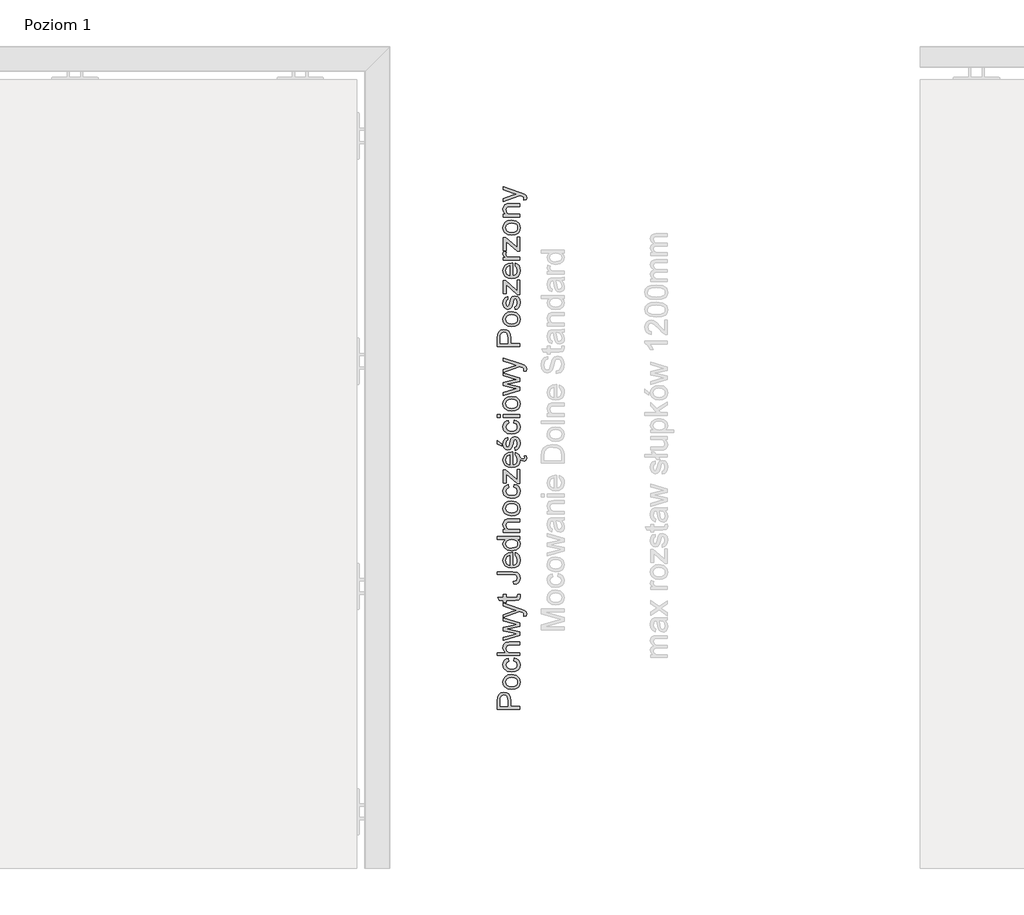
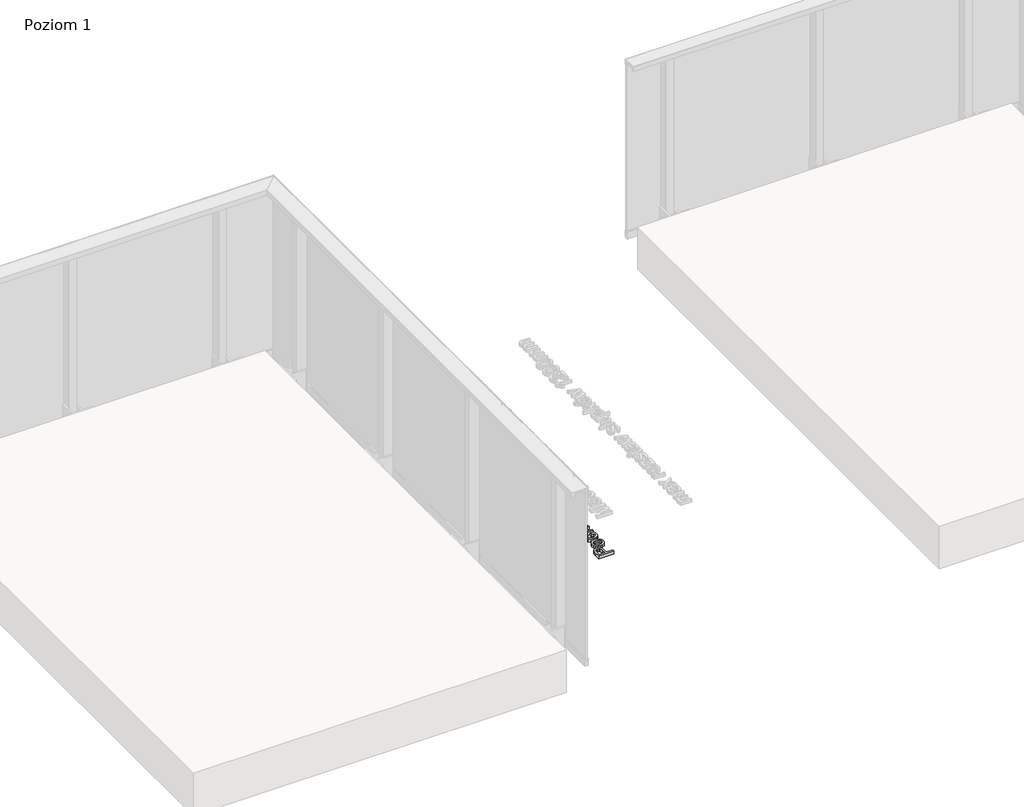
# One storey, part 29 of 35: 1 proxy.
"""IFC4 building model written with IfcOpenShell, lengths in millimetres."""

from ifc_helpers import new_model, si_unit, origin, origin_with_axes, place, context, project, spatial, polyline, outline, extrude, element, save

model = new_model("IFC4")

# Units and contexts
model_context = context("Model", 3, world=origin())
ifc_project = project(units=[si_unit("LENGTHUNIT", "METRE", prefix="MILLI")], contexts=[model_context])

# Site, building, storey
site = spatial("IfcSite", under=ifc_project)
building = spatial("IfcBuilding", under=site)
storey = spatial("IfcBuildingStorey", under=building, Name="Poziom 1", Elevation=0.0)

# Proxy
placement = place(None, origin())
element("IfcBuildingElementProxy", 1, Name="Generic Models", at=placement, inside=storey, context=model_context, shape_type="SweptSolid", body=[
    extrude(outline(polyline([(5115.5993765, 1075.7346132), (5015.1430664, 1075.7346132), (5015.1430664, 1112.9642711), (5016.0995596, 1127.9738565), (5020.7961864, 1140.1752761), (5030.508271, 1148.0847389), (5044.205744, 1151.0768458), (5056.0454129, 1149.0565606), (5065.9107817, 1142.9957047), (5072.5694458, 1131.6618735), (5074.7890005, 1113.8226625), (5074.7890005, 1088.291652), (5115.5993765, 1088.291652), (5115.5993765, 1075.7346132)]), holes=[polyline([(5062.2319618, 1088.291652), (5062.2319618, 1114.5584265), (5057.6211741, 1133.0506281), (5052.0722873, 1137.1525123), (5044.6472024, 1138.5198071), (5034.2484047, 1135.2947082), (5028.5584965, 1126.8211596), (5027.7001052, 1114.2641209), (5027.7001052, 1088.291652), (5062.2319618, 1088.291652)])]), origin_with_axes(), (0.0, 0.0, 1.0), 20.0),
    extrude(outline(polyline([(5078.7130752, 1163.6338846), (5060.9259807, 1166.35008), (5048.4241242, 1174.4986662), (5042.298889, 1184.5663701), (5040.2571439, 1196.6206368), (5042.7434131, 1209.8122721), (5050.2022205, 1220.3490255), (5062.0449551, 1227.25601), (5077.6830056, 1229.5583381), (5100.0257054, 1225.4871107), (5112.6685833, 1213.6290478), (5117.1690064, 1196.6206368), (5114.6919343, 1183.2695861), (5107.260718, 1172.7450954), (5095.1696631, 1165.9116873), (5078.7130752, 1163.6338846)]), holes=[polyline([(5078.6885497, 1176.1909234), (5090.0530377, 1177.6440573), (5098.1495072, 1182.0034589), (5102.9963525, 1188.5640211), (5104.6119676, 1196.6206368), (5102.9871555, 1204.6404643), (5098.112719, 1211.1887639), (5089.9089505, 1215.5481655), (5078.2961422, 1217.0012994), (5067.2627481, 1215.5389684), (5059.2766431, 1211.1519757), (5054.4297978, 1204.5944791), (5052.8141827, 1196.6206368), (5054.4236664, 1188.5640211), (5059.2521176, 1182.0034589), (5067.3301931, 1177.6440573), (5078.6885497, 1176.1909234)])]), origin_with_axes(), (0.0, 0.0, 1.0), 20.0),
    extrude(outline(polyline([(5088.9156692, 1290.7739021), (5090.485299, 1303.3309409), (5101.6535832, 1299.8299306), (5110.0934093, 1293.2509742), (5115.4001071, 1284.2133399), (5117.1690064, 1273.3362956), (5114.7011313, 1259.9791135), (5107.2975062, 1249.5343305), (5095.2830934, 1242.7928929), (5078.9828553, 1240.5457471), (5058.1239462, 1244.3839826), (5044.7207788, 1256.08263), (5040.2571439, 1273.1646173), (5041.7899856, 1283.7749472), (5046.3885105, 1292.2576929), (5053.8074641, 1298.3430742), (5063.8015916, 1301.7613111), (5065.3712215, 1289.2042723), (5055.9657051, 1283.379474), (5052.8141827, 1273.2627192), (5054.3654184, 1265.1478555), (5059.0191257, 1258.7068549), (5067.0266904, 1254.5038031), (5078.6394988, 1253.1027858), (5090.4086569, 1254.4731463), (5098.4438128, 1258.5842276), (5103.0699289, 1264.9087322), (5104.6119676, 1272.9193626), (5100.7614694, 1284.7529002), (5088.9156692, 1290.7739021)])), origin_with_axes(), (0.0, 0.0, 1.0), 20.0),
    extrude(outline(polyline([(5115.5993765, 1314.3183498), (5015.1430664, 1314.3183498), (5015.1430664, 1326.8753886), (5052.0784187, 1326.8753886), (5043.2124626, 1336.667181), (5040.2571439, 1348.7275791), (5043.4822427, 1362.8297223), (5052.3972498, 1371.38911), (5068.9028886, 1373.964284), (5115.5993765, 1373.964284), (5115.5993765, 1361.4072452), (5070.2027383, 1361.4072452), (5056.9589865, 1357.4095942), (5052.8141827, 1346.0788288), (5055.6100859, 1335.7903956), (5063.188455, 1328.923265), (5076.4076813, 1326.8753886), (5115.5993765, 1326.8753886), (5115.5993765, 1314.3183498)])), origin_with_axes(), (0.0, 0.0, 1.0), 20.0),
    extrude(outline(polyline([(5115.5993765, 1403.46842), (5041.8267738, 1381.0276183), (5041.8267738, 1394.0751664), (5084.8689672, 1406.8038834), (5100.2464346, 1410.6053307), (5085.4330529, 1413.7200649), (5041.8267738, 1423.8490825), (5041.8267738, 1438.809617), (5085.3104256, 1448.8895837), (5098.7258557, 1451.6609614), (5084.5746616, 1455.6340869), (5041.8267738, 1468.3873294), (5041.8267738, 1481.4839284), (5115.5993765, 1458.8714485), (5115.5993765, 1443.6901848), (5072.3364539, 1434.0516765), (5058.8474474, 1431.2557734), (5115.5993765, 1418.8213619), (5115.5993765, 1403.46842)])), origin_with_axes(), (0.0, 0.0, 1.0), 20.0),
    extrude(outline(polyline([(5143.8527138, 1490.1168926), (5131.7616589, 1488.5472628), (5132.8653048, 1494.923884), (5131.479616, 1500.8835723), (5127.616855, 1504.5378668), (5118.3707542, 1507.9714321), (5115.3295964, 1508.9524507), (5041.8267738, 1482.2687434), (5041.8267738, 1495.5124952), (5082.7843026, 1509.6636893), (5099.1673141, 1514.593308), (5084.6972889, 1519.5229267), (5041.8267738, 1534.0665283), (5041.8267738, 1547.2121782), (5117.3652101, 1521.534015), (5133.7482216, 1514.8630881), (5142.601915, 1507.5790246), (5145.4223436, 1497.7933636), (5143.8527138, 1490.1168926)])), origin_with_axes(), (0.0, 0.0, 1.0), 20.0),
    extrude(outline(polyline([(5105.1270024, 1584.2946834), (5115.9672585, 1585.8643132), (5117.1690064, 1576.4710596), (5115.0843417, 1565.9496345), (5109.6151627, 1560.7011847), (5095.3658668, 1559.1806058), (5054.3838125, 1559.1806058), (5054.3838125, 1549.7628267), (5041.8267738, 1549.7628267), (5041.8267738, 1559.1806058), (5023.8986579, 1559.1806058), (5016.5164925, 1571.7376446), (5041.8267738, 1571.7376446), (5041.8267738, 1584.2946834), (5054.3838125, 1584.2946834), (5054.3838125, 1571.7376446), (5094.9979848, 1571.7376446), (5101.4727079, 1572.3998322), (5103.765839, 1574.5458105), (5104.6119676, 1578.8255044), (5105.1270024, 1584.2946834)])), origin_with_axes(), (0.0, 0.0, 1.0), 20.0),
    extrude(outline(polyline([(5087.3950902, 1631.3835787), (5085.7764095, 1643.9406175), (5100.6143166, 1648.2325741), (5104.6119676, 1658.8275756), (5102.343362, 1667.4237515), (5096.1629445, 1672.4024212), (5083.7162703, 1673.7635846), (5015.1430664, 1673.7635846), (5015.1430664, 1686.3206234), (5083.4955411, 1686.3206234), (5103.0055496, 1683.2917283), (5113.5392374, 1673.6777455), (5117.1690064, 1658.2389644), (5115.2958739, 1646.6322874), (5109.6764764, 1638.1035565), (5100.3598649, 1632.9286831), (5087.3950902, 1631.3835787)])), origin_with_axes(), (0.0, 0.0, 1.0), 20.0),
    extrude(outline(polyline([(5093.6245587, 1758.3764435), (5095.1941885, 1770.6882276), (5104.4709462, 1766.2521839), (5111.4055218, 1759.1735211), (5115.7281352, 1749.6116549), (5117.1690064, 1737.7260008), (5114.6827372, 1722.9923269), (5107.2239298, 1711.6554301), (5095.276962, 1704.4265489), (5079.3262118, 1702.0169218), (5062.8389671, 1704.4510744), (5050.5087889, 1711.753532), (5042.8200552, 1722.9371446), (5040.2571439, 1737.0147623), (5042.8139238, 1750.6539873), (5050.4842634, 1761.5524914), (5062.7899161, 1768.6985991), (5079.2526354, 1771.080635), (5082.6371498, 1771.0070586), (5082.6371498, 1714.5739606), (5092.0365347, 1716.74753), (5098.9465849, 1721.7967104), (5103.1956219, 1729.0838396), (5104.6119676, 1737.9712555), (5101.9877427, 1750.2830396), (5093.6245587, 1758.3764435)]), holes=[polyline([(5070.080111, 1714.5739606), (5070.080111, 1758.5235963), (5058.7002946, 1753.4958757), (5054.2857107, 1746.175024), (5052.8141827, 1736.9657114), (5057.5108095, 1721.5024048), (5063.0014483, 1716.6371654), (5070.080111, 1714.5739606)])]), origin_with_axes(), (0.0, 0.0, 1.0), 20.0),
    extrude(outline(polyline([(5115.5993765, 1829.1569394), (5103.7535763, 1829.1569394), (5113.8151489, 1820.8489376), (5117.1690064, 1809.364888), (5112.312964, 1793.8157423), (5098.7626439, 1782.8283334), (5078.7866516, 1778.9287843), (5058.7983965, 1782.5217651), (5045.0396099, 1793.2884448), (5040.2571439, 1809.3158371), (5043.6784465, 1820.8918572), (5052.568928, 1829.1569394), (5015.1430664, 1829.1569394), (5015.1430664, 1841.7139781), (5115.5993765, 1841.7139781), (5115.5993765, 1829.1569394)]), holes=[polyline([(5078.7376006, 1791.485823), (5090.0959572, 1792.9021687), (5098.1740327, 1797.1512058), (5103.0024839, 1803.3254919), (5104.6119676, 1810.5175849), (5103.0760603, 1817.7066123), (5098.4683383, 1823.7245486), (5090.7029625, 1827.7988417), (5079.6940938, 1829.1569394), (5067.6582212, 1827.7743162), (5059.3134313, 1823.6264467), (5054.4389948, 1817.4552262), (5052.8141827, 1810.0025501), (5054.3746155, 1802.7368807), (5059.0559139, 1796.7833238), (5067.0972012, 1792.8101982), (5078.7376006, 1791.485823)])]), origin_with_axes(), (0.0, 0.0, 1.0), 20.0),
    extrude(outline(polyline([(5115.5993765, 1860.5495363), (5041.8267738, 1860.5495363), (5041.8267738, 1873.106575), (5052.1274696, 1873.106575), (5043.2247253, 1882.7082951), (5040.2571439, 1895.8171569), (5042.6483769, 1907.6752199), (5048.9268963, 1915.7686237), (5058.1607344, 1919.5332828), (5070.3008402, 1920.1954704), (5115.5993765, 1920.1954704), (5115.5993765, 1907.6384317), (5071.9930974, 1907.6384317), (5060.8830611, 1906.1914291), (5055.0092119, 1901.0778694), (5052.8141827, 1892.457168), (5057.7438014, 1878.8332714), (5064.8868435, 1874.5382491), (5076.4567322, 1873.106575), (5115.5993765, 1873.106575), (5115.5993765, 1860.5495363)])), origin_with_axes(), (0.0, 0.0, 1.0), 20.0),
    extrude(outline(polyline([(5078.7130752, 1934.322139), (5060.9259807, 1937.0383344), (5048.4241242, 1945.1869206), (5042.298889, 1955.2546246), (5040.2571439, 1967.3088913), (5042.7434131, 1980.5005265), (5050.2022205, 1991.03728), (5062.0449551, 1997.9442644), (5077.6830056, 2000.2465926), (5100.0257054, 1996.1753652), (5112.6685833, 1984.3173022), (5117.1690064, 1967.3088913), (5114.6919343, 1953.9578405), (5107.260718, 1943.4333498), (5095.1696631, 1936.5999417), (5078.7130752, 1934.322139)]), holes=[polyline([(5078.6885497, 1946.8791778), (5090.0530377, 1948.3323117), (5098.1495072, 1952.6917133), (5102.9963525, 1959.2522756), (5104.6119676, 1967.3088913), (5102.9871555, 1975.3287188), (5098.112719, 1981.8770183), (5089.9089505, 1986.2364199), (5078.2961422, 1987.6895538), (5067.2627481, 1986.2272229), (5059.2766431, 1981.8402301), (5054.4297978, 1975.2827335), (5052.8141827, 1967.3088913), (5054.4236664, 1959.2522756), (5059.2521176, 1952.6917133), (5067.3301931, 1948.3323117), (5078.6885497, 1946.8791778)])]), origin_with_axes(), (0.0, 0.0, 1.0), 20.0),
    extrude(outline(polyline([(5088.9156692, 2061.4621566), (5090.485299, 2074.0191953), (5101.6535832, 2070.518185), (5110.0934093, 2063.9392287), (5115.4001071, 2054.9015943), (5117.1690064, 2044.02455), (5114.7011313, 2030.6673679), (5107.2975062, 2020.2225849), (5095.2830934, 2013.4811474), (5078.9828553, 2011.2340015), (5058.1239462, 2015.072237), (5044.7207788, 2026.7708844), (5040.2571439, 2043.8528717), (5041.7899856, 2054.4632016), (5046.3885105, 2062.9459473), (5053.8074641, 2069.0313286), (5063.8015916, 2072.4495655), (5065.3712215, 2059.8925267), (5055.9657051, 2054.0677285), (5052.8141827, 2043.9509736), (5054.3654184, 2035.8361099), (5059.0191257, 2029.3951093), (5067.0266904, 2025.1920575), (5078.6394988, 2023.7910403), (5090.4086569, 2025.1614007), (5098.4438128, 2029.272482), (5103.0699289, 2035.5969866), (5104.6119676, 2043.6076171), (5100.7614694, 2055.4411546), (5088.9156692, 2061.4621566)])), origin_with_axes(), (0.0, 0.0, 1.0), 20.0),
    extrude(outline(polyline([(5115.5993765, 2077.158455), (5103.7781018, 2077.158455), (5054.3838125, 2120.4949541), (5054.3838125, 2107.6681352), (5054.3838125, 2080.2977147), (5041.8267738, 2080.2977147), (5041.8267738, 2138.374019), (5052.4953516, 2138.374019), (5096.32236, 2099.9426133), (5103.0423378, 2094.0565013), (5103.0423378, 2108.5755774), (5103.0423378, 2139.9436489), (5115.5993765, 2139.9436489), (5115.5993765, 2077.158455)])), origin_with_axes(), (0.0, 0.0, 1.0), 20.0),
    extrude(outline(polyline([(5093.6245587, 2204.1513198), (5095.1941885, 2216.4631039), (5104.4709462, 2212.0270601), (5111.4055218, 2204.9483974), (5115.768218, 2195.0558907), (5121.6694295, 2189.1785226), (5128.9902812, 2187.0325443), (5133.9689508, 2188.5653859), (5136.0045645, 2193.5317928), (5135.5631061, 2196.6710525), (5134.3858838, 2199.589583), (5143.0433734, 2199.589583), (5145.4223436, 2190.7849406), (5144.4167995, 2185.0091933), (5141.6454218, 2180.8889149), (5137.5864571, 2178.4241056), (5132.6691011, 2177.6147652), (5123.7540941, 2180.0673118), (5116.8755159, 2185.921861), (5117.1690064, 2183.5008771), (5114.6827372, 2168.7672032), (5107.2239298, 2157.4303064), (5095.276962, 2150.2014252), (5079.3262118, 2147.7917981), (5062.8389671, 2150.2259506), (5050.5087889, 2157.5284082), (5042.8200552, 2168.7120209), (5040.2571439, 2182.7896386), (5042.8139238, 2196.4288636), (5050.4842634, 2207.3273677), (5062.7899161, 2214.4734754), (5079.2526354, 2216.8555113), (5082.6371498, 2216.7819349), (5082.6371498, 2160.3488369), (5092.0365347, 2162.5224063), (5098.9465849, 2167.5715867), (5103.1956219, 2174.8587159), (5104.6119676, 2183.7461318), (5101.9877427, 2196.0579159), (5093.6245587, 2204.1513198)]), holes=[polyline([(5070.080111, 2160.3488369), (5070.080111, 2204.2984726), (5058.7002946, 2199.270752), (5054.2857107, 2191.9499003), (5052.8141827, 2182.7405876), (5057.5108095, 2167.2772811), (5063.0014483, 2162.4120417), (5070.080111, 2160.3488369)])]), origin_with_axes(), (0.0, 0.0, 1.0), 20.0),
    extrude(outline(polyline([(5093.6245587, 2224.7036606), (5092.0549288, 2237.2606993), (5101.3746061, 2243.0732349), (5104.6119676, 2256.3905631), (5101.6443862, 2269.1928565), (5094.6791537, 2273.3621858), (5089.0382965, 2269.168331), (5085.4575784, 2256.2434103), (5079.3139491, 2237.3342757), (5072.1402502, 2229.0814563), (5062.0112326, 2226.2732904), (5052.6547672, 2228.5296333), (5045.5055937, 2234.6855254), (5041.7899856, 2242.6685647), (5040.2571439, 2253.4720326), (5042.7219533, 2268.7513981), (5049.3928801, 2278.4634828), (5060.6623319, 2282.7799649), (5062.2319618, 2270.2229261), (5055.3035175, 2265.5017738), (5052.8141827, 2254.4530512), (5055.1931529, 2242.4355727), (5060.7359083, 2238.8303292), (5064.3902028, 2240.3263826), (5067.1615805, 2245.0107467), (5069.8348563, 2255.8264774), (5075.7454937, 2274.2573653), (5082.440946, 2282.8167531), (5093.3547786, 2285.9192246), (5105.3722571, 2282.2771928), (5114.0910604, 2271.7680305), (5117.1690064, 2256.2188848), (5115.6852157, 2243.5576128), (5111.2338435, 2234.3176434), (5103.8639409, 2228.1494886), (5093.6245587, 2224.7036606)])), origin_with_axes(), (0.0, 0.0, 1.0), 20.0),
    extrude(outline(polyline([(5033.9786245, 2243.5392187), (5015.1430664, 2252.9569978), (5015.1430664, 2268.6532963), (5033.9786245, 2252.9569978), (5033.9786245, 2243.5392187)])), origin_with_axes(), (0.0, 0.0, 1.0), 20.0),
    extrude(outline(polyline([(5088.9156692, 2347.1347886), (5090.485299, 2359.6918273), (5101.6535832, 2356.190817), (5110.0934093, 2349.6118607), (5115.4001071, 2340.5742263), (5117.1690064, 2329.697182), (5114.7011313, 2316.3399999), (5107.2975062, 2305.8952169), (5095.2830934, 2299.1537793), (5078.9828553, 2296.9066335), (5058.1239462, 2300.744869), (5044.7207788, 2312.4435164), (5040.2571439, 2329.5255037), (5041.7899856, 2340.1358336), (5046.3885105, 2348.6185793), (5053.8074641, 2354.7039606), (5063.8015916, 2358.1221975), (5065.3712215, 2345.5651587), (5055.9657051, 2339.7403605), (5052.8141827, 2329.6236056), (5054.3654184, 2321.5087419), (5059.0191257, 2315.0677413), (5067.0266904, 2310.8646895), (5078.6394988, 2309.4636723), (5090.4086569, 2310.8340327), (5098.4438128, 2314.945114), (5103.0699289, 2321.2696186), (5104.6119676, 2329.2802491), (5100.7614694, 2341.1137866), (5088.9156692, 2347.1347886)])), origin_with_axes(), (0.0, 0.0, 1.0), 20.0),
    extrude(outline(polyline([(5027.7001052, 2370.6792363), (5015.1430664, 2370.6792363), (5015.1430664, 2383.236275), (5027.7001052, 2383.236275), (5027.7001052, 2370.6792363)])), origin_with_axes(), (0.0, 0.0, 1.0), 20.0),
    extrude(outline(polyline([(5115.5993765, 2370.6792363), (5041.8267738, 2370.6792363), (5041.8267738, 2383.236275), (5115.5993765, 2383.236275), (5115.5993765, 2370.6792363)])), origin_with_axes(), (0.0, 0.0, 1.0), 20.0),
    extrude(outline(polyline([(5078.7130752, 2398.9325735), (5060.9259807, 2401.6487689), (5048.4241242, 2409.7973551), (5042.298889, 2419.865059), (5040.2571439, 2431.9193257), (5042.7434131, 2445.1109609), (5050.2022205, 2455.6477144), (5062.0449551, 2462.5546989), (5077.6830056, 2464.857027), (5100.0257054, 2460.7857996), (5112.6685833, 2448.9277366), (5117.1690064, 2431.9193257), (5114.6919343, 2418.568275), (5107.260718, 2408.0437842), (5095.1696631, 2401.2103762), (5078.7130752, 2398.9325735)]), holes=[polyline([(5078.6885497, 2411.4896122), (5090.0530377, 2412.9427461), (5098.1495072, 2417.3021478), (5102.9963525, 2423.86271), (5104.6119676, 2431.9193257), (5102.9871555, 2439.9391532), (5098.112719, 2446.4874527), (5089.9089505, 2450.8468544), (5078.2961422, 2452.2999882), (5067.2627481, 2450.8376573), (5059.2766431, 2446.4506645), (5054.4297978, 2439.893168), (5052.8141827, 2431.9193257), (5054.4236664, 2423.86271), (5059.2521176, 2417.3021478), (5067.3301931, 2412.9427461), (5078.6885497, 2411.4896122)])]), origin_with_axes(), (0.0, 0.0, 1.0), 20.0),
    extrude(outline(polyline([(5115.5993765, 2491.2219033), (5041.8267738, 2468.7811016), (5041.8267738, 2481.8286497), (5084.8689672, 2494.5573668), (5100.2464346, 2498.358814), (5085.4330529, 2501.4735483), (5041.8267738, 2511.6025659), (5041.8267738, 2526.5631003), (5085.3104256, 2536.643067), (5098.7258557, 2539.4144447), (5084.5746616, 2543.3875703), (5041.8267738, 2556.1408128), (5041.8267738, 2569.2374118), (5115.5993765, 2546.6249318), (5115.5993765, 2531.4436681), (5072.3364539, 2521.8051599), (5058.8474474, 2519.0092567), (5115.5993765, 2506.5748453), (5115.5993765, 2491.2219033)])), origin_with_axes(), (0.0, 0.0, 1.0), 20.0),
    extrude(outline(polyline([(5143.8527138, 2577.8703759), (5131.7616589, 2576.3007461), (5132.8653048, 2582.6773673), (5131.479616, 2588.6370557), (5127.616855, 2592.2913501), (5118.3707542, 2595.7249154), (5115.3295964, 2596.7059341), (5041.8267738, 2570.0222267), (5041.8267738, 2583.2659785), (5082.7843026, 2597.4171726), (5099.1673141, 2602.3467913), (5084.6972889, 2607.2764101), (5041.8267738, 2621.8200116), (5041.8267738, 2634.9656616), (5117.3652101, 2609.2874983), (5133.7482216, 2602.6165715), (5142.601915, 2595.332508), (5145.4223436, 2585.5468469), (5143.8527138, 2577.8703759)])), origin_with_axes(), (0.0, 0.0, 1.0), 20.0),
    extrude(outline(polyline([(5115.5993765, 2686.1748353), (5015.1430664, 2686.1748353), (5015.1430664, 2723.4044932), (5016.0995596, 2738.4140786), (5020.7961864, 2750.6154981), (5030.508271, 2758.524961), (5044.205744, 2761.5170679), (5056.0454129, 2759.4967826), (5065.9107817, 2753.4359268), (5072.5694458, 2742.1020956), (5074.7890005, 2724.2628845), (5074.7890005, 2698.7318741), (5115.5993765, 2698.7318741), (5115.5993765, 2686.1748353)]), holes=[polyline([(5062.2319618, 2698.7318741), (5062.2319618, 2724.9986485), (5057.6211741, 2743.4908502), (5052.0722873, 2747.5927344), (5044.6472024, 2748.9600292), (5034.2484047, 2745.7349303), (5028.5584965, 2737.2613817), (5027.7001052, 2724.7043429), (5027.7001052, 2698.7318741), (5062.2319618, 2698.7318741)])]), origin_with_axes(), (0.0, 0.0, 1.0), 20.0),
    extrude(outline(polyline([(5078.7130752, 2774.0741067), (5060.9259807, 2776.7903021), (5048.4241242, 2784.9388883), (5042.298889, 2795.0065922), (5040.2571439, 2807.0608589), (5042.7434131, 2820.2524941), (5050.2022205, 2830.7892476), (5062.0449551, 2837.6962321), (5077.6830056, 2839.9985602), (5100.0257054, 2835.9273328), (5112.6685833, 2824.0692698), (5117.1690064, 2807.0608589), (5114.6919343, 2793.7098082), (5107.260718, 2783.1853174), (5095.1696631, 2776.3519094), (5078.7130752, 2774.0741067)]), holes=[polyline([(5078.6885497, 2786.6311455), (5090.0530377, 2788.0842793), (5098.1495072, 2792.443681), (5102.9963525, 2799.0042432), (5104.6119676, 2807.0608589), (5102.9871555, 2815.0806864), (5098.112719, 2821.6289859), (5089.9089505, 2825.9883876), (5078.2961422, 2827.4415215), (5067.2627481, 2825.9791905), (5059.2766431, 2821.5921977), (5054.4297978, 2815.0347012), (5052.8141827, 2807.0608589), (5054.4236664, 2799.0042432), (5059.2521176, 2792.443681), (5067.3301931, 2788.0842793), (5078.6885497, 2786.6311455)])]), origin_with_axes(), (0.0, 0.0, 1.0), 20.0),
    extrude(outline(polyline([(5093.6245587, 2849.4163393), (5092.0549288, 2861.9733781), (5101.3746061, 2867.7859136), (5104.6119676, 2881.1032418), (5101.6443862, 2893.9055353), (5094.6791537, 2898.0748645), (5089.0382965, 2893.8810098), (5085.4575784, 2880.956089), (5079.3139491, 2862.0469545), (5072.1402502, 2853.7941351), (5062.0112326, 2850.9859692), (5052.6547672, 2853.2423121), (5045.5055937, 2859.3982041), (5041.7899856, 2867.3812434), (5040.2571439, 2878.1847113), (5042.7219533, 2893.4640769), (5049.3928801, 2903.1761615), (5060.6623319, 2907.4926436), (5062.2319618, 2894.9356048), (5055.3035175, 2890.2144526), (5052.8141827, 2879.16573), (5055.1931529, 2867.1482515), (5060.7359083, 2863.5430079), (5064.3902028, 2865.0390614), (5067.1615805, 2869.7234254), (5069.8348563, 2880.5391561), (5075.7454937, 2898.9700441), (5082.440946, 2907.5294318), (5093.3547786, 2910.6319033), (5105.3722571, 2906.9898716), (5114.0910604, 2896.4807092), (5117.1690064, 2880.9315636), (5115.6852157, 2868.2702916), (5111.2338435, 2859.0303221), (5103.8639409, 2852.8621673), (5093.6245587, 2849.4163393)])), origin_with_axes(), (0.0, 0.0, 1.0), 20.0),
    extrude(outline(polyline([(5115.5993765, 2916.9104227), (5103.7781018, 2916.9104227), (5054.3838125, 2960.2469217), (5054.3838125, 2947.4201028), (5054.3838125, 2920.0496824), (5041.8267738, 2920.0496824), (5041.8267738, 2978.1259867), (5052.4953516, 2978.1259867), (5096.32236, 2939.6945809), (5103.0423378, 2933.808469), (5103.0423378, 2948.3275451), (5103.0423378, 2979.6956165), (5115.5993765, 2979.6956165), (5115.5993765, 2916.9104227)])), origin_with_axes(), (0.0, 0.0, 1.0), 20.0),
    extrude(outline(polyline([(5093.6245587, 3043.9032874), (5095.1941885, 3056.2150715), (5104.4709462, 3051.7790278), (5111.4055218, 3044.7003651), (5115.7281352, 3035.1384989), (5117.1690064, 3023.2528448), (5114.6827372, 3008.5191709), (5107.2239298, 2997.182274), (5095.276962, 2989.9533928), (5079.3262118, 2987.5437658), (5062.8389671, 2989.9779183), (5050.5087889, 2997.2803759), (5042.8200552, 3008.4639886), (5040.2571439, 3022.5416062), (5042.8139238, 3036.1808312), (5050.4842634, 3047.0793353), (5062.7899161, 3054.2254431), (5079.2526354, 3056.607479), (5082.6371498, 3056.5339026), (5082.6371498, 3000.1008045), (5092.0365347, 3002.274374), (5098.9465849, 3007.3235544), (5103.1956219, 3014.6106836), (5104.6119676, 3023.4980994), (5101.9877427, 3035.8098835), (5093.6245587, 3043.9032874)]), holes=[polyline([(5070.080111, 3000.1008045), (5070.080111, 3044.0504402), (5058.7002946, 3039.0227196), (5054.2857107, 3031.7018679), (5052.8141827, 3022.4925553), (5057.5108095, 3007.0292488), (5063.0014483, 3002.1640094), (5070.080111, 3000.1008045)])]), origin_with_axes(), (0.0, 0.0, 1.0), 20.0),
    extrude(outline(polyline([(5115.5993765, 3108.4052639), (5103.7781018, 3108.4052639), (5054.3838125, 3151.7417629), (5054.3838125, 3138.914944), (5054.3838125, 3111.5445236), (5041.8267738, 3111.5445236), (5041.8267738, 3169.6208279), (5052.4953516, 3169.6208279), (5096.32236, 3131.1894221), (5103.0423378, 3125.3033102), (5103.0423378, 3139.8223863), (5103.0423378, 3171.1904578), (5115.5993765, 3171.1904578), (5115.5993765, 3108.4052639)])), origin_with_axes(), (0.0, 0.0, 1.0), 20.0),
    extrude(outline(polyline([(5115.5993765, 3069.1645178), (5041.8267738, 3069.1645178), (5041.8267738, 3080.1519267), (5052.7406063, 3080.1519267), (5042.6851651, 3087.951025), (5040.2571439, 3095.7991742), (5044.1321676, 3108.4052639), (5055.3893567, 3104.2114092), (5052.8141827, 3095.3822413), (5055.2912548, 3088.2821188), (5062.1583854, 3083.7571702), (5076.8246142, 3081.7215565), (5115.5993765, 3081.7215565), (5115.5993765, 3069.1645178)])), origin_with_axes(), (0.0, 0.0, 1.0), 20.0),
    extrude(outline(polyline([(5078.7130752, 3180.6082368), (5060.9259807, 3183.3244322), (5048.4241242, 3191.4730184), (5042.298889, 3201.5407224), (5040.2571439, 3213.5949891), (5042.7434131, 3226.7866243), (5050.2022205, 3237.3233778), (5062.0449551, 3244.2303622), (5077.6830056, 3246.5326904), (5100.0257054, 3242.461463), (5112.6685833, 3230.6034), (5117.1690064, 3213.5949891), (5114.6919343, 3200.2439383), (5107.260718, 3189.7194476), (5095.1696631, 3182.8860395), (5078.7130752, 3180.6082368)]), holes=[polyline([(5078.6885497, 3193.1652756), (5090.0530377, 3194.6184095), (5098.1495072, 3198.9778111), (5102.9963525, 3205.5383734), (5104.6119676, 3213.5949891), (5102.9871555, 3221.6148166), (5098.112719, 3228.1631161), (5089.9089505, 3232.5225177), (5078.2961422, 3233.9756516), (5067.2627481, 3232.5133207), (5059.2766431, 3228.1263279), (5054.4297978, 3221.5688313), (5052.8141827, 3213.5949891), (5054.4236664, 3205.5383734), (5059.2521176, 3198.9778111), (5067.3301931, 3194.6184095), (5078.6885497, 3193.1652756)])]), origin_with_axes(), (0.0, 0.0, 1.0), 20.0),
    extrude(outline(polyline([(5115.5993765, 3260.659359), (5041.8267738, 3260.659359), (5041.8267738, 3273.2163978), (5052.1274696, 3273.2163978), (5043.2247253, 3282.8181178), (5040.2571439, 3295.9269796), (5042.6483769, 3307.7850426), (5048.9268963, 3315.8784465), (5058.1607344, 3319.6431055), (5070.3008402, 3320.3052931), (5115.5993765, 3320.3052931), (5115.5993765, 3307.7482544), (5071.9930974, 3307.7482544), (5060.8830611, 3306.3012519), (5055.0092119, 3301.1876921), (5052.8141827, 3292.5669907), (5057.7438014, 3278.9430941), (5064.8868435, 3274.6480718), (5076.4567322, 3273.2163978), (5115.5993765, 3273.2163978), (5115.5993765, 3260.659359)])), origin_with_axes(), (0.0, 0.0, 1.0), 20.0),
    extrude(outline(polyline([(5143.8527138, 3337.5712214), (5131.7616589, 3336.0015916), (5132.8653048, 3342.3782128), (5131.479616, 3348.3379012), (5127.616855, 3351.9921957), (5118.3707542, 3355.4257609), (5115.3295964, 3356.4067796), (5041.8267738, 3329.7230722), (5041.8267738, 3342.966824), (5082.7843026, 3357.1180181), (5099.1673141, 3362.0476369), (5084.6972889, 3366.9772556), (5041.8267738, 3381.5208571), (5041.8267738, 3394.6665071), (5117.3652101, 3368.9883438), (5133.7482216, 3362.317417), (5142.601915, 3355.0333535), (5145.4223436, 3345.2476924), (5143.8527138, 3337.5712214)])), origin_with_axes(), (0.0, 0.0, 1.0), 20.0),
])

save(model, "model.ifc")
